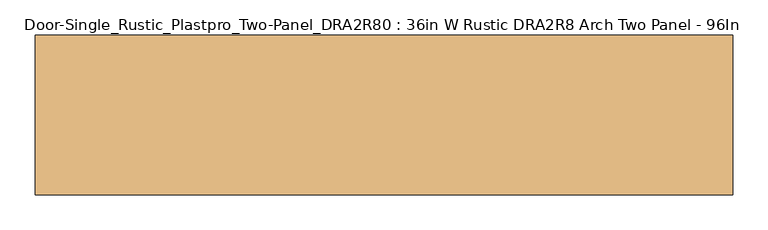
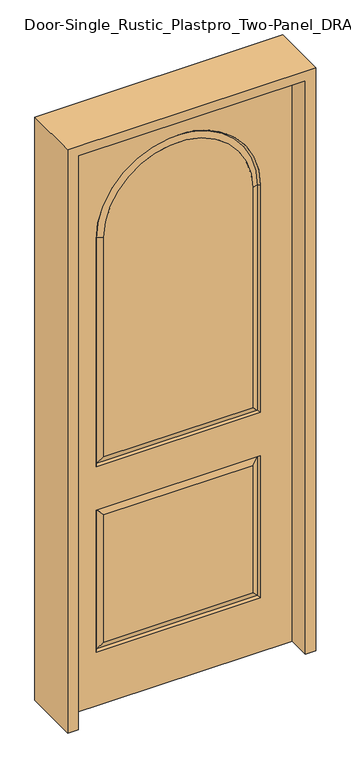
"""IFC4 building model written with IfcOpenShell, lengths in millimetres: door geometry, Door-Single_Rustic_Plastpro_Two-Panel_DRA2R80 : 36in W Rustic DRA2R8 Arch Two Panel - 96In."""

from ifc_helpers import new_model, si_unit, frame, origin, place, context, project, spatial, polyline, circle_curve, outline, extrude, source, transform, mapped, element, save
from ifc_brep_helpers import plane_surface, revolved_surface, advanced_brep


def door_single_rustic_plastpro_two_panel_dra2r80_36in_w_rustic_6f36e9d5(model_context):
    return source(origin(), model_context, "Body", "SolidModel", [
        advanced_brep(
        [(457.2, 20.6375, 0.0), (-457.2, 20.6375, 0.0), (-457.2, 20.6375, 2438.4), (457.2, 20.6375, 2438.4), (-330.2, 20.6375, 1016.0), (330.2, 20.6375, 1016.0), (330.2, 20.6375, 1981.2285447), (-330.2, 20.6375, 1981.2285447), (-330.2, 20.6375, 228.6), (330.2, 20.6375, 228.6), (330.2, 20.6375, 831.85), (-330.2, 20.6375, 831.85), (298.99283, 20.6375, 1047.20717), (-298.99283, 20.6375, 1047.20717), (-298.99283, 20.6375, 1981.2285447), (298.99283, 20.6375, 1981.2285447), (298.99283, 20.6375, 259.80717), (-298.99283, 20.6375, 259.80717), (-298.99283, 20.6375, 800.64283), (298.99283, 20.6375, 800.64283), (457.2, -20.6375, 0.0), (-457.2, -20.6375, 0.0), (-457.2, -20.6375, 2438.4), (457.2, -20.6375, 2438.4), (-323.4328916, 11.6572439, 1022.7671084), (323.4328916, 11.6572439, 1022.7671084), (323.4328916, 11.6572439, 1981.2285447), (-323.4328916, 11.6572439, 1981.2285447), (330.2, -20.6375, 1016.0), (-330.2, -20.6375, 1016.0), (-330.2, -20.6375, 1981.2285447), (330.2, -20.6375, 1981.2285447), (330.2, -20.6375, 228.6), (-330.2, -20.6375, 228.6), (-330.2, -20.6375, 831.85), (330.2, -20.6375, 831.85), (-298.99283, -20.6375, 1047.20717), (298.99283, -20.6375, 1047.20717), (298.99283, -20.6375, 1981.2285447), (-298.99283, -20.6375, 1981.2285447), (-298.99283, -20.6375, 259.80717), (298.99283, -20.6375, 259.80717), (298.99283, -20.6375, 800.64283), (-298.99283, -20.6375, 800.64283), (323.4328916, -11.6572439, 1022.7671084), (-323.4328916, -11.6572439, 1022.7671084), (-323.4328916, -11.6572439, 1981.2285447), (323.4328916, -11.6572439, 1981.2285447), (323.4328916, 11.6572439, 235.3671084), (-323.4328916, 11.6572439, 235.3671084), (-323.4328916, 11.6572439, 825.0828916), (323.4328916, 11.6572439, 825.0828916), (323.4328916, -11.6572439, 235.3671084), (-323.4328916, -11.6572439, 235.3671084), (-323.4328916, -11.6572439, 825.0828916), (323.4328916, -11.6572439, 825.0828916)],
        [
            (0, 1),
            (1, 2),
            (2, 3),
            (3, 0),
            (4, 5),
            (5, 6),
            (6, 7, circle_curve(frame((0.0, 20.6375, 1981.2285447), z_axis=(0.0, -1.0, 0.0), x_axis=(1.0, 0.0, 0.0)), 330.2)),
            (7, 4),
            (8, 9),
            (9, 10),
            (10, 11),
            (11, 8),
            (12, 13),
            (13, 14),
            (14, 15, circle_curve(frame((0.0, 20.6375, 1981.2285447), z_axis=(0.0, 1.0, 0.0), x_axis=(1.0, 0.0, 0.0)), 298.99283)),
            (15, 12),
            (16, 17),
            (17, 18),
            (18, 19),
            (19, 16),
            (0, 20),
            (20, 21),
            (21, 1),
            (21, 22),
            (22, 2),
            (3, 23),
            (23, 20),
            (24, 25),
            (25, 5),
            (4, 24),
            (25, 26),
            (26, 6),
            (7, 27),
            (27, 24),
            (25, 12),
            (15, 26),
            (24, 13),
            (27, 14),
            (23, 22),
            (28, 29),
            (29, 30),
            (30, 31, circle_curve(frame((0.0, -20.6375, 1981.2285447), z_axis=(0.0, 1.0, 0.0), x_axis=(1.0, 0.0, 0.0)), 330.2)),
            (31, 28),
            (32, 33),
            (33, 34),
            (34, 35),
            (35, 32),
            (36, 37),
            (37, 38),
            (38, 39, circle_curve(frame((0.0, -20.6375, 1981.2285447), z_axis=(0.0, -1.0, 0.0), x_axis=(1.0, 0.0, 0.0)), 298.99283)),
            (39, 36),
            (40, 41),
            (41, 42),
            (42, 43),
            (43, 40),
            (28, 44),
            (44, 45),
            (45, 29),
            (45, 46),
            (46, 30),
            (31, 47),
            (47, 44),
            (44, 37),
            (36, 45),
            (47, 38),
            (39, 46),
            (16, 48),
            (48, 49),
            (49, 17),
            (49, 50),
            (50, 18),
            (51, 19),
            (50, 51),
            (51, 48),
            (48, 9),
            (8, 49),
            (51, 10),
            (50, 11),
            (32, 52),
            (52, 53),
            (53, 33),
            (53, 54),
            (54, 34),
            (55, 35),
            (54, 55),
            (55, 52),
            (52, 41),
            (40, 53),
            (55, 42),
            (54, 43),
            (26, 27, circle_curve(frame((0.0, 11.6572439, 1981.2285447), z_axis=(0.0, -1.0, 0.0), x_axis=(1.0, 0.0, 0.0)), 323.4328916)),
            (46, 47, circle_curve(frame((0.0, -11.6572439, 1981.2285447), z_axis=(0.0, 1.0, 0.0), x_axis=(1.0, 0.0, 0.0)), 323.4328916)),
        ],
        [
            plane_surface(frame((0.0, 20.6375, 0.0), z_axis=(0.0, 1.0, 0.0), x_axis=(0.0, 0.0, 1.0))),
            plane_surface(frame((457.2, 20.6375, 0.0), z_axis=(0.0, 0.0, -1.0), x_axis=(0.0, -1.0, 0.0))),
            plane_surface(frame((-457.2, 20.6375, 0.0), z_axis=(-1.0, 0.0, 0.0), x_axis=(0.0, -1.0, 0.0))),
            plane_surface(frame((457.2, 20.6375, 2438.4), z_axis=(1.0, 0.0, 0.0), x_axis=(0.0, -1.0, 0.0))),
            plane_surface(frame((-330.2, 20.6375, 1016.0), z_axis=(0.0, 0.6018150231520503, 0.7986355100472915), x_axis=(1.0, 0.0, 0.0))),
            plane_surface(frame((330.2, 20.6375, 1016.0), z_axis=(-0.7986355100472915, 0.6018150231520503, 0.0), x_axis=(0.0, 0.0, 1.0))),
            plane_surface(frame((-330.2, 20.6375, 1981.2285447), z_axis=(0.7986355100472915, 0.6018150231520503, 0.0), x_axis=(0.0, 0.0, -1.0))),
            plane_surface(frame((323.4328916, 11.6572439, 1022.7671084), z_axis=(0.3448944226500051, 0.938641484926444, 0.0), x_axis=(0.0, 0.0, 1.0))),
            plane_surface(frame((-323.4328916, 11.6572439, 1022.7671084), z_axis=(0.0, 0.938641484926444, -0.3448944226500051), x_axis=(1.0, 0.0, 0.0))),
            plane_surface(frame((-323.4328916, 11.6572439, 1981.2285447), z_axis=(-0.3448944226500051, 0.938641484926444, 0.0), x_axis=(0.0, 0.0, -1.0))),
            plane_surface(frame((0.0, -20.6375, 0.0), z_axis=(0.0, -1.0, 0.0), x_axis=(0.0, 0.0, 1.0))),
            plane_surface(frame((-323.4328916, -11.6572439, 1022.7671084), z_axis=(0.0, -0.6018150231520504, 0.7986355100472914), x_axis=(1.0, 0.0, 0.0))),
            plane_surface(frame((-323.4328916, -11.6572439, 1981.2285447), z_axis=(0.7986355100472914, -0.6018150231520504, 0.0), x_axis=(0.0, 0.0, -1.0))),
            plane_surface(frame((323.4328916, -11.6572439, 1022.7671084), z_axis=(-0.7986355100472914, -0.6018150231520504, 0.0), x_axis=(0.0, 0.0, 1.0))),
            plane_surface(frame((-298.99283, -20.6375, 1047.20717), z_axis=(0.0, -0.938641484926444, -0.3448944226500049), x_axis=(1.0, 0.0, 0.0))),
            plane_surface(frame((298.99283, -20.6375, 1047.20717), z_axis=(0.3448944226500049, -0.938641484926444, 0.0), x_axis=(0.0, 0.0, 1.0))),
            plane_surface(frame((-298.99283, -20.6375, 1981.2285447), z_axis=(-0.3448944226500049, -0.938641484926444, 0.0), x_axis=(0.0, 0.0, -1.0))),
            plane_surface(frame((-457.2, 20.6375, 2438.4), z_axis=(0.0, 0.0, 1.0), x_axis=(0.0, -1.0, 0.0))),
            plane_surface(frame((-323.4328916, 11.6572439, 235.3671084), z_axis=(0.0, 0.938641484926444, -0.344894422650005), x_axis=(1.0, 0.0, 0.0))),
            plane_surface(frame((-323.4328916, 11.6572439, 825.0828916), z_axis=(-0.344894422650005, 0.938641484926444, 0.0), x_axis=(0.0, 0.0, -1.0))),
            plane_surface(frame((323.4328916, 11.6572439, 825.0828916), z_axis=(0.0, 0.938641484926444, 0.344894422650005), x_axis=(-1.0, 0.0, 0.0))),
            plane_surface(frame((323.4328916, 11.6572439, 235.3671084), z_axis=(0.344894422650005, 0.938641484926444, 0.0), x_axis=(0.0, 0.0, 1.0))),
            plane_surface(frame((-330.2, 20.6375, 228.6), z_axis=(0.0, 0.6018150231520503, 0.7986355100472914), x_axis=(1.0, 0.0, 0.0))),
            plane_surface(frame((330.2, 20.6375, 228.6), z_axis=(-0.7986355100472914, 0.6018150231520503, 0.0), x_axis=(0.0, 0.0, 1.0))),
            plane_surface(frame((330.2, 20.6375, 831.85), z_axis=(0.0, 0.6018150231520503, -0.7986355100472914), x_axis=(-1.0, 0.0, 0.0))),
            plane_surface(frame((-330.2, 20.6375, 831.85), z_axis=(0.7986355100472914, 0.6018150231520503, 0.0), x_axis=(0.0, 0.0, -1.0))),
            plane_surface(frame((-323.4328916, -11.6572439, 235.3671084), z_axis=(0.0, -0.6018150231520503, 0.7986355100472915), x_axis=(1.0, 0.0, 0.0))),
            plane_surface(frame((-323.4328916, -11.6572439, 825.0828916), z_axis=(0.7986355100472915, -0.6018150231520503, 0.0), x_axis=(0.0, 0.0, -1.0))),
            plane_surface(frame((323.4328916, -11.6572439, 825.0828916), z_axis=(0.0, -0.6018150231520503, -0.7986355100472915), x_axis=(-1.0, 0.0, 0.0))),
            plane_surface(frame((323.4328916, -11.6572439, 235.3671084), z_axis=(-0.7986355100472915, -0.6018150231520503, 0.0), x_axis=(0.0, 0.0, 1.0))),
            plane_surface(frame((-298.99283, -20.6375, 259.80717), z_axis=(0.0, -0.938641484926444, -0.3448944226500051), x_axis=(1.0, 0.0, 0.0))),
            plane_surface(frame((298.99283, -20.6375, 259.80717), z_axis=(0.3448944226500051, -0.938641484926444, 0.0), x_axis=(0.0, 0.0, 1.0))),
            plane_surface(frame((298.99283, -20.6375, 800.64283), z_axis=(0.0, -0.938641484926444, 0.3448944226500051), x_axis=(-1.0, 0.0, 0.0))),
            plane_surface(frame((-298.99283, -20.6375, 800.64283), z_axis=(-0.3448944226500051, -0.938641484926444, 0.0), x_axis=(0.0, 0.0, -1.0))),
            revolved_surface(polyline([(323.4328916, 11.6572439, 1981.2285447), (330.2, 20.6375, 1981.2285447)]), (0.0, 0.0, 1981.2285447), (0.0, -1.0, 0.0)),
            revolved_surface(polyline([(330.2, -20.6375, 1981.2285447), (323.4328916, -11.6572439, 1981.2285447)]), (0.0, 0.0, 1981.2285447), (0.0, -1.0, 0.0)),
            revolved_surface(polyline([(323.4328916, -11.6572439, 1981.2285447), (298.99283, -20.6375, 1981.2285447)]), (0.0, 0.0, 1981.2285447), (0.0, -1.0, 0.0)),
            revolved_surface(polyline([(298.99283, 20.6375, 1981.2285447), (323.4328916, 11.6572439, 1981.2285447)]), (0.0, 0.0, 1981.2285447), (0.0, -1.0, 0.0)),
        ],
        [
            (0, [[1, 2, 3, 4], [5, 6, 7, 8], [9, 10, 11, 12]]),
            (0, [[13, 14, 15, 16]]),
            (0, [[17, 18, 19, 20]]),
            (1, [[-1, 21, 22, 23]]),
            (2, [[-2, -23, 24, 25]]),
            (3, [[-4, 26, 27, -21]]),
            (4, [[28, 29, -5, 30]]),
            (5, [[-29, 31, 32, -6]]),
            (6, [[-30, -8, 33, 34]]),
            (7, [[35, -16, 36, -31]]),
            (8, [[-35, -28, 37, -13]]),
            (9, [[-37, -34, 38, -14]]),
            (10, [[-27, 39, -24, -22], [40, 41, 42, 43], [44, 45, 46, 47]]),
            (10, [[48, 49, 50, 51]]),
            (10, [[52, 53, 54, 55]]),
            (11, [[56, 57, 58, -40]]),
            (12, [[-58, 59, 60, -41]]),
            (13, [[-56, -43, 61, 62]]),
            (14, [[-57, 63, -48, 64]]),
            (15, [[-63, -62, 65, -49]]),
            (16, [[-64, -51, 66, -59]]),
            (17, [[-3, -25, -39, -26]]),
            (18, [[67, 68, 69, -17]]),
            (19, [[-69, 70, 71, -18]]),
            (20, [[72, -19, -71, 73]]),
            (21, [[-67, -20, -72, 74]]),
            (22, [[-68, 75, -9, 76]]),
            (23, [[-75, -74, 77, -10]]),
            (24, [[-77, -73, 78, -11]]),
            (25, [[-76, -12, -78, -70]]),
            (26, [[79, 80, 81, -44]]),
            (27, [[-81, 82, 83, -45]]),
            (28, [[84, -46, -83, 85]]),
            (29, [[-79, -47, -84, 86]]),
            (30, [[-80, 87, -52, 88]]),
            (31, [[-87, -86, 89, -53]]),
            (32, [[-89, -85, 90, -54]]),
            (33, [[-88, -55, -90, -82]]),
            (34, [[-32, 91, -33, -7]]),
            (35, [[-61, -42, -60, 92]]),
            (36, [[-65, -92, -66, -50]]),
            (37, [[-36, -15, -38, -91]]),
        ],
    ),
        extrude(outline(polyline([(2479.675, -498.475), (0.0, -498.475), (0.0, -457.2), (2438.4, -457.2), (2438.4, 457.2), (0.0, 457.2), (0.0, 498.475), (2479.675, 498.475), (2479.675, -498.475)])), frame((0.0, -114.3, 0.0), z_axis=(0.0, 1.0, 0.0), x_axis=(0.0, 0.0, 1.0)), (0.0, 0.0, 1.0), 228.6),
    ])


if __name__ == "__main__":
    model = new_model("IFC4")
    model_context = context("Model", 3, world=origin())
    ifc_project = project(units=[si_unit("LENGTHUNIT", "METRE", prefix="MILLI")], contexts=[model_context])
    site = spatial("IfcSite", under=ifc_project)
    building = spatial("IfcBuilding", under=site)
    placement = place(None, origin())
    door_single_rustic_plastpro_two_panel_dra2r80_36in_w_rustic_shape = door_single_rustic_plastpro_two_panel_dra2r80_36in_w_rustic_6f36e9d5(model_context)
    element("IfcDoor", 1, ObjectType="Door-Single_Rustic_Plastpro_Two-Panel_DRA2R80 : 36in W Rustic DRA2R8 Arch Two Panel - 96In", at=placement, inside=building, context=model_context, shape_type="MappedRepresentation", body=[
        mapped(door_single_rustic_plastpro_two_panel_dra2r80_36in_w_rustic_shape, transform((0.0, 0.0, 0.0), x_axis=(1.0, 0.0, 0.0), y_axis=(0.0, 1.0, 0.0), z_axis=(0.0, 0.0, 1.0))),
    ])
    save(model, "model.ifc")
